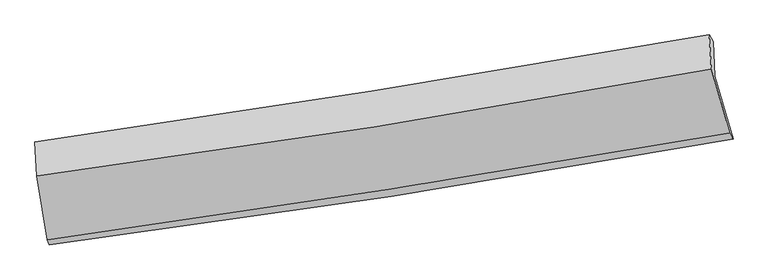
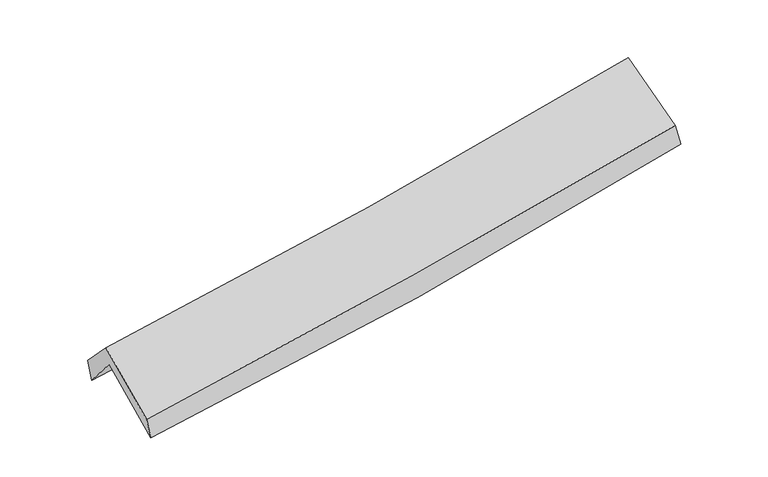
"""IFC4 building model written with IfcOpenShell, lengths in millimetres: proxy geometry."""

import ifcopenshell
import ifcopenshell.guid

model = None  # the IFC model being written
_history = None  # IfcOwnerHistory: only IFC2X3 demands one
_inside = {}  # id of a spatial element -> (the spatial element, [elements in it])
_under = {}  # id of a project, library or spatial element -> (it, [spatial elements below it])
_declared = {}  # id of a project -> (the project, [libraries it declares])
_typed = {}  # id of a type object -> (the type object, [elements of that type])
_made_of = {}  # id of a material, layer set ... -> (it, [elements and type objects made of it])


def new_model(schema):
    """Start an empty IFC model of exactly this schema.

    Asked for "IFC4X3", IfcOpenShell would pick the latest addendum, in which some entities
    have other attributes; the version numbers below select the first issue.
    IFC2X3 requires an IfcOwnerHistory on every rooted entity: one is made here for all.
    """
    global model, _history
    if schema == "IFC4X3":
        model = ifcopenshell.file(schema_version=(4, 3, 0, 0))
    else:
        model = ifcopenshell.file(schema=schema)
    _inside.clear()
    _under.clear()
    _declared.clear()
    _typed.clear()
    _made_of.clear()
    _history = None
    if model.schema == "IFC2X3":
        org = make("IfcOrganization", Name="unknown")
        user = make(
            "IfcPersonAndOrganization",
            ThePerson=make("IfcPerson", FamilyName="unknown"),
            TheOrganization=org,
        )
        app = make(
            "IfcApplication",
            ApplicationDeveloper=org,
            Version="unknown",
            ApplicationFullName="unknown",
            ApplicationIdentifier="unknown",
        )
        _history = make(
            "IfcOwnerHistory",
            OwningUser=user,
            OwningApplication=app,
            ChangeAction="ADDED",
            CreationDate=0,
        )
    return model


def make(cls, **values):
    """One entity of the class cls with the attributes given. An attribute that is None is left unset."""
    return model.create_entity(
        cls, **{name: value for name, value in values.items() if value is not None}
    )


def rooted(cls, **values):
    """An entity with a GlobalId (a new one), such as an element, a storey or a relation."""
    return make(cls, GlobalId=ifcopenshell.guid.new(), OwnerHistory=_history, **values)


def si_unit(unit_type, name, prefix=None):
    """IfcSIUnit, for example si_unit("LENGTHUNIT", "METRE", prefix="MILLI")."""
    return make("IfcSIUnit", UnitType=unit_type, Prefix=prefix, Name=name)


def assignment(units):
    """IfcUnitAssignment: the units of a project."""
    return None if units is None else make("IfcUnitAssignment", Units=units)


def point(xyz):
    """IfcCartesianPoint."""
    return None if xyz is None else make("IfcCartesianPoint", Coordinates=xyz)


def direction(xyz):
    """IfcDirection."""
    return None if xyz is None else make("IfcDirection", DirectionRatios=xyz)


def frame(location, z_axis=None, x_axis=None):
    """IfcAxis2Placement3D, a coordinate frame: its origin and axes. An axis left out is left unset."""
    return make(
        "IfcAxis2Placement3D",
        Location=point(location),
        Axis=direction(z_axis),
        RefDirection=direction(x_axis),
    )


def origin():
    """The frame at (0, 0, 0) with its axes left unset."""
    return frame((0.0, 0.0, 0.0))


def place(relative_to, where):
    """IfcLocalPlacement: puts the frame where relative to a parent placement (None: the world)."""
    return make(
        "IfcLocalPlacement", PlacementRelTo=relative_to, RelativePlacement=where
    )


def context(
    kind, dimensions, precision=None, world=None, true_north=None, identifier=None
):
    """IfcGeometricRepresentationContext, for example the 3D "Model" context."""
    return make(
        "IfcGeometricRepresentationContext",
        ContextIdentifier=identifier,
        ContextType=kind,
        CoordinateSpaceDimension=dimensions,
        Precision=precision,
        WorldCoordinateSystem=world,
        TrueNorth=true_north,
    )


def project(units=None, contexts=None):
    """IfcProject with its units and contexts."""
    return rooted(
        "IfcProject",
        Name="project",
        RepresentationContexts=contexts,
        UnitsInContext=assignment(units),
    )


def spatial(cls, under=None, at=None, **own):
    """A site, building, storey or space (cls), placed at a placement, below another one or the project."""
    s = rooted(cls, ObjectPlacement=at, **own)
    if under is not None:
        _under.setdefault(under.id(), (under, []))[1].append(s)
    return s


def shape(context_of_items, identifier, shape_type, items):
    """IfcShapeRepresentation: the items that make up one representation, for example the "Body"."""
    return make(
        "IfcShapeRepresentation",
        ContextOfItems=context_of_items,
        RepresentationIdentifier=identifier,
        RepresentationType=shape_type,
        Items=items,
    )


def source(mapping_origin, context_of_items, identifier, shape_type, items):
    """IfcRepresentationMap: a shape defined once, which mapped items show again and again."""
    return make(
        "IfcRepresentationMap",
        MappingOrigin=mapping_origin,
        MappedRepresentation=shape(context_of_items, identifier, shape_type, items),
    )


def transform(
    local_origin,
    x_axis=None,
    y_axis=None,
    z_axis=None,
    scale=None,
    scale2=None,
    scale3=None,
    uniform=True,
):
    """IfcCartesianTransformationOperator3D, or its non-uniform kind. x_axis, y_axis, z_axis: its Axis1, 2, 3."""
    if uniform:
        return make(
            "IfcCartesianTransformationOperator3D",
            Axis1=direction(x_axis),
            Axis2=direction(y_axis),
            LocalOrigin=point(local_origin),
            Scale=scale,
            Axis3=direction(z_axis),
        )
    return make(
        "IfcCartesianTransformationOperator3DnonUniform",
        Axis1=direction(x_axis),
        Axis2=direction(y_axis),
        LocalOrigin=point(local_origin),
        Scale=scale,
        Axis3=direction(z_axis),
        Scale2=scale2,
        Scale3=scale3,
    )


def mapped(mapping_source, mapping_target):
    """IfcMappedItem: shows the shape of a source again, moved by a transform."""
    return make(
        "IfcMappedItem", MappingSource=mapping_source, MappingTarget=mapping_target
    )


def made_of(thing, what):
    """Note that an element or type object is made of a material, layer set ...; save() writes the relation."""
    if what is not None:
        _made_of.setdefault(what.id(), (what, []))[1].append(thing)
    return thing


def element(
    cls,
    number,
    at=None,
    inside=None,
    cuts=None,
    type_object=None,
    material=None,
    context=None,
    identifier="Body",
    shape_type=None,
    held_by="IfcProductDefinitionShape",
    body=None,
    shapes=None,
    **own,
):
    """One element of the class cls, such as IfcWall. Its Tag is "e" and its number.

    at: its placement. inside: the storey or other place that contains it. cuts: it is an
    opening in that element (IfcRelVoidsElement). A single representation is given by context,
    identifier, shape_type and body (its items); several are given by shapes. held_by: the class
    of the entity that holds the representations. save() writes the other relations.
    """
    e = rooted(cls, Tag="e%d" % number, ObjectPlacement=at, **own)
    if body is not None:
        shapes = [shape(context, identifier, shape_type, body)]
    if shapes is not None:
        e.Representation = make(held_by, Representations=shapes)
    if inside is not None:
        _inside.setdefault(inside.id(), (inside, []))[1].append(e)
    if cuts is not None:
        rooted(
            "IfcRelVoidsElement", RelatingBuildingElement=cuts, RelatedOpeningElement=e
        )
    if type_object is not None:
        _typed.setdefault(type_object.id(), (type_object, []))[1].append(e)
    return made_of(e, material)


def aggregate(whole, parts):
    """IfcRelAggregates: a whole, such as a stair, and the parts it consists of."""
    return rooted("IfcRelAggregates", RelatingObject=whole, RelatedObjects=parts)


def save(model, path):
    """Write the relations noted so far, then the file.

    IfcRelAggregates (storeys below a building ...), IfcRelContainedInSpatialStructure (elements
    in a storey), IfcRelDefinesByType, IfcRelAssociatesMaterial and IfcRelDeclares: one each for
    every whole, place, type object, material and project.
    """
    for whole, parts in _under.values():
        aggregate(whole, parts)
    for where, things in _inside.values():
        rooted(
            "IfcRelContainedInSpatialStructure",
            RelatedElements=things,
            RelatingStructure=where,
        )
    for kind, things in _typed.values():
        rooted("IfcRelDefinesByType", RelatedObjects=things, RelatingType=kind)
    for what, things in _made_of.values():
        rooted("IfcRelAssociatesMaterial", RelatedObjects=things, RelatingMaterial=what)
    for by, libraries in _declared.values():
        rooted("IfcRelDeclares", RelatingContext=by, RelatedDefinitions=libraries)
    model.write(path)


def plane_surface(at):
    """IfcPlane: the flat surface through the origin of the frame at, square to its z axis."""
    return make("IfcPlane", Position=at)


def spline_curve(degree, points, multiplicities, knots, weights=None):
    """IfcBSplineCurveWithKnots; with weights, IfcRationalBSplineCurveWithKnots."""
    own = dict(
        Degree=degree,
        ControlPointsList=[point(p) for p in points],
        CurveForm="UNSPECIFIED",
        ClosedCurve=False,
        SelfIntersect=False,
        KnotMultiplicities=multiplicities,
        Knots=knots,
        KnotSpec="UNSPECIFIED",
    )
    if weights is None:
        return make("IfcBSplineCurveWithKnots", **own)
    return make("IfcRationalBSplineCurveWithKnots", WeightsData=weights, **own)


def spline_surface(u_degree, v_degree, points, u_multiplicities, v_multiplicities, u_knots, v_knots, weights=None):
    """IfcBSplineSurfaceWithKnots; with weights, IfcRationalBSplineSurfaceWithKnots. points: one row for each step in u."""
    own = dict(
        UDegree=u_degree,
        VDegree=v_degree,
        ControlPointsList=[[point(p) for p in row] for row in points],
        SurfaceForm="UNSPECIFIED",
        UClosed=False,
        VClosed=False,
        SelfIntersect=False,
        UMultiplicities=u_multiplicities,
        VMultiplicities=v_multiplicities,
        UKnots=u_knots,
        VKnots=v_knots,
        KnotSpec="UNSPECIFIED",
    )
    if weights is None:
        return make("IfcBSplineSurfaceWithKnots", **own)
    return make("IfcRationalBSplineSurfaceWithKnots", WeightsData=weights, **own)


def advanced_brep(points, edges, surfaces, faces):
    """IfcAdvancedBrep: a solid bounded by faces that lie on surfaces and meet in shared edges.

    An edge is (start, end): straight between two places in points (the first is 0);
    or (start, end, curve); or (start, end, curve, False) where it runs against its curve.
    A face is (place in surfaces, loops), or (place, loops, False) where it looks against
    its surface's normal. A loop lists edges by number (the first is 1), with a minus sign
    where the edge is run from its end to its start. The first loop is the outer one.
    """
    corners = [point(p) for p in points]
    vertices = [make("IfcVertexPoint", VertexGeometry=c) for c in corners]
    made = []
    for start, end, *more in edges:
        made.append(
            make(
                "IfcEdgeCurve",
                EdgeStart=vertices[start],
                EdgeEnd=vertices[end],
                EdgeGeometry=more[0] if more else make("IfcPolyline", Points=[corners[start], corners[end]]),
                SameSense=more[1] if len(more) > 1 else True,
            )
        )
    hull = []
    for where, loops, *sense in faces:
        bounds = []
        for j, loop in enumerate(loops):
            ring = [make("IfcOrientedEdge", EdgeElement=made[abs(k) - 1], Orientation=k > 0) for k in loop]
            bounds.append(
                make(
                    "IfcFaceOuterBound" if j == 0 else "IfcFaceBound",
                    Bound=make("IfcEdgeLoop", EdgeList=ring),
                    Orientation=True,
                )
            )
        hull.append(make("IfcAdvancedFace", Bounds=bounds, FaceSurface=surfaces[where], SameSense=sense[0] if sense else True))
    return make("IfcAdvancedBrep", Outer=make("IfcClosedShell", CfsFaces=hull))


def generic_models_3011e917(model_context):
    return source(origin(), model_context, "Body", "AdvancedBrep", [
        advanced_brep(
        [(-2587.06703, -2501.6317977, 1473.9552569), (-2673.3690974, -1992.689216, 1910.2698418), (2612.7551247, -1177.7088348, 2381.9510619), (2756.3985986, -1670.1294483, 1950.8048357), (-2684.9314845, -1730.916106, 1596.4870116), (2600.0203959, -909.2693399, 2067.5336064), (-2699.9465989, -1695.1655808, 1773.9189162), (2569.4387939, -856.212315, 2240.5552132), (-2685.9491288, -1959.8979217, 2053.468402), (2586.8483971, -1125.9099254, 2517.7734581), (-2601.6507715, -2460.0530883, 1633.1080414), (2728.9914929, -1626.5540997, 2112.1007116)],
        [
            (0, 1),
            (1, 2, spline_curve(3, [(-2673.3690974, -1992.689216, 1910.2698418), (-1790.465599317, -1875.495472311, 1961.721040831), (-910.048927462, -1749.255221722, 2026.567295632), (852.027825463, -1477.723674014, 2183.603983063), (1733.652560861, -1332.303797566, 2275.984801681), (2612.7551247, -1177.7088348, 2381.9510619)], [4, 2, 4], [0.0, 8.827308656447402, 17.717127905146437])),
            (2, 3),
            (3, 0, spline_curve(3, [(2756.3985986, -1670.1294483, 1950.8048357), (1868.837474868, -1830.639278676, 1843.421840843), (978.186152454, -1980.3927181, 1749.901413207), (-803.012362947, -2257.40942837, 1591.14582302), (-1693.516249955, -2384.823438712, 1525.716390977), (-2587.06703, -2501.6317977, 1473.9552569)], [4, 2, 4], [0.0, 8.889819248699036, 17.717127905146437])),
            (1, 4),
            (4, 5, spline_curve(3, [(-2684.9314845, -1730.916106, 1596.4870116), (-1802.477374634, -1610.377723947, 1647.644522252), (-922.383196179, -1481.907635046, 1712.290902109), (839.300972443, -1208.138114144, 1869.114714308), (1720.857421052, -1062.725947763, 1961.483866334), (2600.0203959, -909.2693399, 2067.5336064)], [4, 2, 4], [0.0, 8.778409942852504, 17.618984201683077])),
            (5, 2),
            (4, 6),
            (6, 7, spline_curve(3, [(-2699.9465989, -1695.1655808, 1773.9189162), (-1821.148914764, -1567.338517674, 1829.60843848), (-944.177469566, -1433.779180575, 1896.163883258), (812.31028474, -1154.20956579, 2051.554876604), (1691.80063694, -1008.1178139, 2140.544864204), (2569.4387939, -856.212315, 2240.5552132)], [4, 2, 4], [0.0, 8.767210289344435, 17.596505584313007])),
            (7, 5),
            (6, 8),
            (8, 9, spline_curve(3, [(-2685.9491288, -1959.8979217, 2053.468402), (-1805.895720849, -1842.914303749, 2117.331120743), (-928.011857016, -1715.20667643, 2187.79468028), (829.618154367, -1437.363099441, 2342.469213727), (1709.333465715, -1287.074727931, 2426.774005913), (2586.8483971, -1125.9099254, 2517.7734581)], [4, 2, 4], [0.0, 8.758179706368896, 17.57838046828245])),
            (9, 7),
            (8, 10),
            (10, 11, spline_curve(3, [(-2601.6507715, -2460.0530883, 1633.1080414), (-1712.613589478, -2336.049566622, 1699.65514509), (-825.435550361, -2204.860067367, 1772.680978909), (951.471628727, -1927.129206395, 1932.253119318), (1841.174344219, -1780.485709712, 2018.891508606), (2728.9914929, -1626.5540997, 2112.1007116)], [4, 2, 4], [0.0, 8.807492807936637, 17.677355882180205])),
            (11, 9),
            (10, 0),
            (3, 11),
        ],
        [
            spline_surface(3, 3, [[(-2587.06703, -2501.6317977, 1473.9552569), (-1693.516249989, -2384.823438708, 1525.716391124), (-803.01236299, -2257.409428282, 1591.145823077), (978.186152497, -1980.392718188, 1749.90141315), (1868.837475011, -1830.63927881, 1843.421840745), (2756.3985986, -1670.1294483, 1950.8048357)], [(-2615.834385793, -2331.984270459, 1619.393451876), (-1725.832699805, -2215.047449872, 1671.051274338), (-838.691217819, -2088.024692759, 1736.286313919), (936.133376836, -1812.836370127, 1894.46893645), (1823.775836966, -1664.527451683, 1987.609494333), (2708.517440624, -1505.9892438, 2094.520244422)], [(-2644.601741607, -2162.336743241, 1764.831646824), (-1758.149149644, -2045.27146106, 1816.386157525), (-874.370072665, -1918.639957245, 1881.426804782), (894.080601157, -1645.280022075, 2039.036459771), (1778.71419895, -1498.415624556, 2131.797147954), (2660.636282676, -1341.8490393, 2238.235653178)], [(-2673.3690974, -1992.689216, 1910.2698418), (-1790.465599461, -1875.495472225, 1961.72104074), (-910.048927493, -1749.255221723, 2026.567295624), (852.027825495, -1477.723674014, 2183.603983071), (1733.652560906, -1332.303797429, 2275.984801542), (2612.7551247, -1177.7088348, 2381.9510619)]], [4, 4], [4, 2, 4], [0.0, 2.220018217400857], [0.0, 8.827308656447402, 17.717127905146437]),
            spline_surface(3, 3, [[(-2673.3690974, -1992.689216, 1910.2698418), (-1790.465599461, -1875.495472225, 1961.72104074), (-910.048927493, -1749.255221723, 2026.567295624), (852.027825495, -1477.723674014, 2183.603983071), (1733.652560906, -1332.303797429, 2275.984801542), (2612.7551247, -1177.7088348, 2381.9510619)], [(-2677.223226441, -1905.431512698, 1805.675565066), (-1794.469524491, -1787.122889471, 1857.028867929), (-914.160350431, -1660.139359493, 1921.80849777), (847.785541191, -1387.861820736, 2078.774226835), (1729.387514331, -1242.444514185, 2171.151156428), (2608.510215125, -1088.229003171, 2277.145243401)], [(-2681.077355459, -1818.173809302, 1701.081288334), (-1798.473449496, -1698.750306624, 1752.33669512), (-918.271773374, -1571.023497251, 1817.049699912), (843.54325688, -1297.999967447, 1973.944470596), (1725.122467682, -1152.585230928, 2066.317511311), (2604.265305475, -998.749171529, 2172.339424899)], [(-2684.9314845, -1730.916106, 1596.4870116), (-1802.477374526, -1610.37772387, 1647.64452231), (-922.383196312, -1481.907635022, 1712.290902058), (839.300972576, -1208.138114169, 1869.114714359), (1720.857421107, -1062.725947684, 1961.483866197), (2600.0203959, -909.2693399, 2067.5336064)]], [4, 4], [4, 2, 4], [0.0, 1.3569856911549987], [0.0, 8.778409942852504, 17.618984201683077]),
            spline_surface(3, 3, [[(-2684.9314845, -1730.916106, 1596.4870116), (-1802.477374526, -1610.37772387, 1647.64452231), (-922.383196312, -1481.907635022, 1712.290902058), (839.300972576, -1208.138114169, 1869.114714359), (1720.857421107, -1062.725947684, 1961.483866197), (2600.0203959, -909.2693399, 2067.5336064)], [(-2689.936522627, -1718.999264239, 1655.630979814), (-1808.701221259, -1596.031321749, 1708.29916107), (-929.647954047, -1465.8648169, 1773.581895791), (830.304076615, -1190.161931357, 1929.928101771), (1711.171826408, -1044.523236472, 2021.170865538), (2589.826528551, -891.583664937, 2125.207475319)], [(-2694.941560773, -1707.082422561, 1714.774947986), (-1814.925068011, -1581.684919711, 1768.953799789), (-936.912711783, -1449.821998766, 1834.872889529), (821.307180653, -1172.185748532, 1990.741489189), (1701.486231755, -1026.320525248, 2080.857864923), (2579.632661249, -873.897989963, 2182.881344281)], [(-2699.9465989, -1695.1655808, 1773.9189162), (-1821.148914744, -1567.33851759, 1829.608438549), (-944.177469518, -1433.779180644, 1896.163883262), (812.310284692, -1154.20956572, 2051.554876601), (1691.800637056, -1008.117814035, 2140.544864264), (2569.4387939, -856.212315, 2240.5552132)]], [4, 4], [4, 2, 4], [0.0, 0.6289149910896428], [0.0, 8.767210289344435, 17.596505584313007]),
            spline_surface(3, 3, [[(-2699.9465989, -1695.1655808, 1773.9189162), (-1821.148914744, -1567.33851759, 1829.608438549), (-944.177469518, -1433.779180644, 1896.163883262), (812.310284692, -1154.20956572, 2051.554876601), (1691.800637056, -1008.117814035, 2140.544864264), (2569.4387939, -856.212315, 2240.5552132)], [(-2695.280775525, -1783.40969444, 1867.102078123), (-1816.064516783, -1659.197112951, 1925.51599923), (-938.788932015, -1527.588345881, 1993.374148973), (818.079574579, -1248.59407699, 2148.526322299), (1697.644913304, -1101.103452035, 2235.954578174), (2575.241994982, -946.111518459, 2332.961294849)], [(-2690.614952175, -1871.65380806, 1960.285240077), (-1810.980118847, -1751.05570829, 2021.423559941), (-933.400394509, -1621.397511112, 2090.584414643), (823.848864471, -1342.978588254, 2245.497767955), (1703.489189507, -1194.089090059, 2331.364292036), (2581.045196018, -1036.010721941, 2425.367376451)], [(-2685.9491288, -1959.8979217, 2053.468402), (-1805.895720885, -1842.914303651, 2117.331120622), (-928.011857006, -1715.206676348, 2187.794680354), (829.618154358, -1437.363099523, 2342.469213653), (1709.333465755, -1287.074728059, 2426.774005946), (2586.8483971, -1125.9099254, 2517.7734581)]], [4, 4], [4, 2, 4], [0.0, 1.331914577225051], [0.0, 8.758179706368896, 17.57838046828245]),
            spline_surface(3, 3, [[(-2685.9491288, -1959.8979217, 2053.468402), (-1805.895720885, -1842.914303651, 2117.331120622), (-928.011857006, -1715.206676348, 2187.794680354), (829.618154358, -1437.363099523, 2342.469213653), (1709.333465755, -1287.074728059, 2426.774005946), (2586.8483971, -1125.9099254, 2517.7734581)], [(-2657.849676353, -2126.616310579, 1913.348281806), (-1774.801677096, -2007.292724693, 1978.105795421), (-893.819754806, -1878.424473331, 2049.42344656), (870.235979122, -1600.618468507, 2205.730515503), (1753.280425265, -1451.545055291, 2290.813173508), (2634.229429017, -1292.791316847, 2382.54920926)], [(-2629.750223947, -2293.334699421, 1773.228161594), (-1743.707633348, -2171.671145699, 1838.880470203), (-859.627652545, -2041.64227031, 1911.052212791), (910.853803946, -1763.873837486, 2068.991817379), (1797.227384823, -1616.015382481, 2154.852341089), (2681.610460983, -1459.672708253, 2247.32496044)], [(-2601.6507715, -2460.0530883, 1633.1080414), (-1712.613589559, -2336.04956674, 1699.655145003), (-825.435550344, -2204.860067293, 1772.680978997), (951.471628711, -1927.12920647, 1932.253119229), (1841.174344333, -1780.485709714, 2018.891508651), (2728.9914929, -1626.5540997, 2112.1007116)]], [4, 4], [4, 2, 4], [0.0, 2.1330548348829454], [0.0, 8.807492807936637, 17.677355882180205]),
            spline_surface(3, 3, [[(-2601.6507715, -2460.0530883, 1633.1080414), (-1712.613589559, -2336.04956674, 1699.655145003), (-825.435550344, -2204.860067293, 1772.680978997), (951.471628711, -1927.12920647, 1932.253119229), (1841.174344333, -1780.485709714, 2018.891508651), (2728.9914929, -1626.5540997, 2112.1007116)], [(-2596.789524362, -2473.912658086, 1580.057113215), (-1706.247809731, -2352.307524049, 1641.675560358), (-817.961154547, -2222.376520948, 1712.169260359), (960.376469986, -1944.883710368, 1871.469217205), (1850.395387894, -1797.203566065, 1960.401619364), (2738.127194801, -1641.079215886, 2058.335419649)], [(-2591.928277138, -2487.772227914, 1527.006185085), (-1699.882029817, -2368.565481399, 1583.695975768), (-810.486758788, -2239.892974628, 1651.657541715), (969.281311222, -1962.638214291, 1810.685315174), (1859.616431451, -1813.921422459, 1901.911730031), (2747.262896699, -1655.604332114, 2004.570127651)], [(-2587.06703, -2501.6317977, 1473.9552569), (-1693.516249989, -2384.823438708, 1525.716391124), (-803.01236299, -2257.409428282, 1591.145823077), (978.186152497, -1980.392718188, 1749.90141315), (1868.837475011, -1830.63927881, 1843.421840745), (2756.3985986, -1670.1294483, 1950.8048357)]], [4, 4], [4, 2, 4], [0.0, 0.6268729278810121], [0.0, 8.865309132548141, 17.793397957745256]),
            plane_surface(frame((2642.4088005, -1227.6306605, 2211.7864812), z_axis=(0.9762287752298295, 0.18276908166997574, 0.11650253730619423), x_axis=(0.2154129307343961, -0.758708879101693, -0.6147829747517989))),
            plane_surface(frame((-2655.4856852, -2056.7256184, 1740.201245), z_axis=(-0.9913752689196392, -0.1162700976377635, -0.06046768202782405), x_axis=(-0.08831160123546052, 0.25177917629257074, 0.9637470142483782))),
        ],
        [
            (0, [[1, 2, 3, 4]]),
            (1, [[5, 6, 7, -2]]),
            (2, [[8, 9, 10, -6]]),
            (3, [[11, 12, 13, -9]]),
            (4, [[14, 15, 16, -12]]),
            (5, [[17, -4, 18, -15]]),
            (6, [[-16, -18, -3, -7, -10, -13]]),
            (7, [[-17, -14, -11, -8, -5, -1]]),
        ],
    ),
    ])


if __name__ == "__main__":
    model = new_model("IFC4")
    model_context = context("Model", 3, world=origin())
    ifc_project = project(units=[si_unit("LENGTHUNIT", "METRE", prefix="MILLI")], contexts=[model_context])
    site = spatial("IfcSite", under=ifc_project)
    building = spatial("IfcBuilding", under=site)
    placement = place(None, origin())
    generic_models_shape = generic_models_3011e917(model_context)
    element("IfcBuildingElementProxy", 1, Name="Generic Models", at=placement, inside=building, context=model_context, shape_type="MappedRepresentation", body=[
        mapped(generic_models_shape, transform((0.0, 0.0, 0.0), x_axis=(1.0, 0.0, 0.0), y_axis=(0.0, 1.0, 0.0), z_axis=(0.0, 0.0, 1.0))),
    ])
    save(model, "model.ifc")
